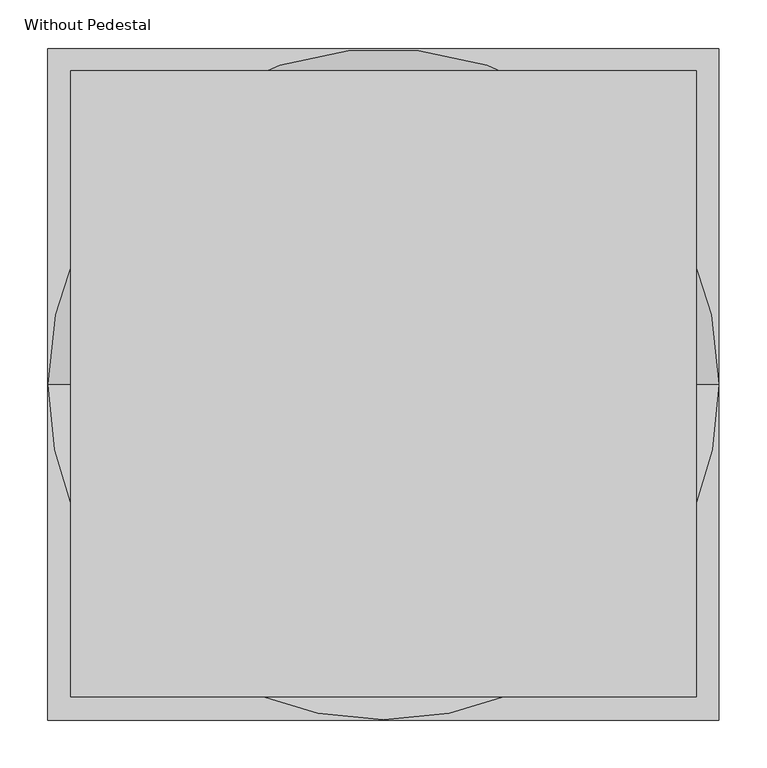
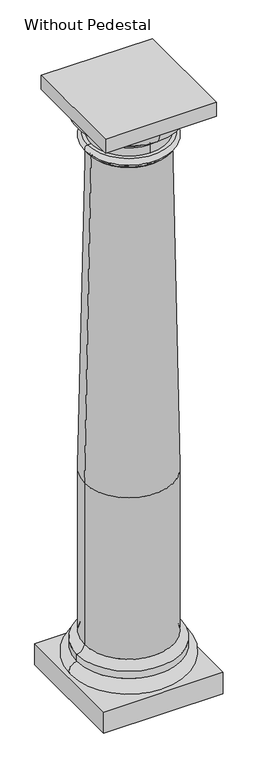
"""IFC4 building model written with IfcOpenShell, lengths in millimetres: column geometry, Without Pedestal."""

from ifc_helpers import new_model, si_unit, point, frame, origin, place, context, project, spatial, polyline, circle_curve, ellipse_curve, trimmed, outline, extrude, source, transform, mapped, element, save
from ifc_brep_helpers import plane_surface, cylinder_surface, revolved_surface, advanced_brep


def without_pedestal_fa424cd3(model_context):
    return source(origin(), model_context, "Body", "SolidModel", [
        advanced_brep(
        [(0.0, -161.9794286, 3383.5702857), (0.0, 161.9794286, 3383.5702857), (0.0, 161.9794286, 3294.7428571), (0.0, -161.9794286, 3294.7428571), (0.0, -240.3565714, 3367.8948571), (0.0, 240.3565714, 3367.8948571), (0.0, 240.3565714, 3383.5702857), (0.0, -240.3565714, 3383.5702857), (0.0, -222.0685714, 3346.9942857), (0.0, 222.0685714, 3346.9942857), (0.0, -222.0685714, 3294.7428571), (0.0, 222.0685714, 3294.7428571)],
        [
            (0, 1, circle_curve(frame((0.0, 0.0, 3383.5702857), z_axis=(0.0, 0.0, 1.0), x_axis=(0.0, 1.0, 0.0)), 161.9794286)),
            (1, 2),
            (2, 3, circle_curve(frame((0.0, 0.0, 3294.7428571), z_axis=(0.0, 0.0, -1.0), x_axis=(0.0, 1.0, 0.0)), 161.9794286)),
            (3, 0),
            (4, 5, circle_curve(frame((0.0, 0.0, 3367.8948571), z_axis=(0.0, 0.0, 1.0), x_axis=(0.0, 1.0, 0.0)), 240.3565714)),
            (5, 6),
            (6, 7, circle_curve(frame((0.0, 0.0, 3383.5702857), z_axis=(0.0, 0.0, -1.0), x_axis=(0.0, 1.0, 0.0)), 240.3565714)),
            (7, 4),
            (8, 9, circle_curve(frame((0.0, 0.0, 3346.9942857), z_axis=(0.0, 0.0, 1.0), x_axis=(0.0, 1.0, 0.0)), 222.0685714)),
            (9, 5, circle_curve(frame((0.0, 244.0662699, 3346.1975853), z_axis=(-1.0, 0.0, 0.0), x_axis=(0.0, 1.0, 0.0)), 22.0121209)),
            (4, 8, circle_curve(frame((0.0, -244.0662699, 3346.1975853), z_axis=(-1.0, 0.0, 0.0), x_axis=(0.0, -1.0, 0.0)), 22.0121209)),
            (10, 11, circle_curve(frame((0.0, 0.0, 3294.7428571), z_axis=(0.0, 0.0, 1.0), x_axis=(0.0, 1.0, 0.0)), 222.0685714)),
            (11, 9),
            (8, 10),
            (1, 0, circle_curve(frame((0.0, 0.0, 3383.5702857), z_axis=(0.0, 0.0, 1.0), x_axis=(0.0, -1.0, 0.0)), 161.9794286)),
            (3, 2, circle_curve(frame((0.0, 0.0, 3294.7428571), z_axis=(0.0, 0.0, -1.0), x_axis=(0.0, -1.0, 0.0)), 161.9794286)),
            (6, 7, circle_curve(frame((0.0, 0.0, 3383.5702857), z_axis=(0.0, 0.0, 1.0), x_axis=(0.0, -1.0, 0.0)), 240.3565714)),
            (5, 4, circle_curve(frame((0.0, 0.0, 3367.8948571), z_axis=(0.0, 0.0, 1.0), x_axis=(0.0, -1.0, 0.0)), 240.3565714)),
            (9, 8, circle_curve(frame((0.0, 0.0, 3346.9942857), z_axis=(0.0, 0.0, 1.0), x_axis=(0.0, -1.0, 0.0)), 222.0685714)),
            (11, 10, circle_curve(frame((0.0, 0.0, 3294.7428571), z_axis=(0.0, 0.0, 1.0), x_axis=(0.0, -1.0, 0.0)), 222.0685714)),
        ],
        [
            revolved_surface(polyline([(0.0, 161.9794286, 3294.7428571), (0.0, 161.9794286, 3383.5702857)]), (0.0, 0.0, 3294.7428571), (0.0, 0.0, -1.0)),
            cylinder_surface(frame((0.0, 0.0, 3294.7428571), z_axis=(0.0, 0.0, -1.0), x_axis=(0.0, 1.0, 0.0)), 240.3565714),
            revolved_surface(trimmed(ellipse_curve(frame((0.0, 244.0662699, 3346.1975853), z_axis=(1.0, 0.0, 0.0), x_axis=(0.0, 1.0, 0.0)), 22.0121209, 22.0121209), [point((0.0, 240.3565714, 3367.8948571))], [point((0.0, 222.0685714, 3346.9942857))], True, "CARTESIAN"), (0.0, 0.0, 3294.7428571), (0.0, 0.0, -1.0)),
            cylinder_surface(frame((0.0, 0.0, 3294.7428571), z_axis=(0.0, 0.0, -1.0), x_axis=(0.0, 1.0, 0.0)), 222.0685714),
            revolved_surface(polyline([(0.0, -161.9794286, 3294.7428571), (0.0, -161.9794286, 3383.5702857)]), (0.0, 0.0, 3294.7428571), (0.0, 0.0, -1.0)),
            plane_surface(frame((0.0, 0.0, 3383.5702857), z_axis=(0.0, 0.0, 1.0), x_axis=(0.0, -1.0, 0.0))),
            cylinder_surface(frame((0.0, 0.0, 3294.7428571), z_axis=(0.0, 0.0, -1.0), x_axis=(0.0, -1.0, 0.0)), 240.3565714),
            revolved_surface(trimmed(ellipse_curve(frame((0.0, -244.0662699, 3346.1975853), z_axis=(-1.0, 0.0, 0.0), x_axis=(0.0, -1.0, 0.0)), 22.0121209, 22.0121209), [point((0.0, -240.3565714, 3367.8948571))], [point((0.0, -222.0685714, 3346.9942857))], True, "CARTESIAN"), (0.0, 0.0, 3294.7428571), (0.0, 0.0, -1.0)),
            cylinder_surface(frame((0.0, 0.0, 3294.7428571), z_axis=(0.0, 0.0, -1.0), x_axis=(0.0, -1.0, 0.0)), 222.0685714),
            plane_surface(frame((0.0, 0.0, 3294.7428571), z_axis=(0.0, 0.0, -1.0), x_axis=(0.0, -1.0, 0.0))),
        ],
        [
            (0, [[1, 2, 3, 4]]),
            (1, [[5, 6, 7, 8]]),
            (2, [[9, 10, -5, 11]]),
            (3, [[12, 13, -9, 14]]),
            (4, [[15, -4, 16, -2]]),
            (5, [[17, -7], [-15, -1]]),
            (6, [[18, -8, -17, -6]]),
            (7, [[19, -11, -18, -10]]),
            (8, [[20, -14, -19, -13]]),
            (9, [[-20, -12], [-16, -3]]),
        ],
    ),
        advanced_brep(
        [(0.0, -240.3565714, 3383.5702857), (0.0, 240.3565714, 3383.5702857), (0.0, 318.7337143, 3469.7851429), (0.0, -318.7337143, 3469.7851429), (0.0, -161.9794286, 3469.7851429), (0.0, 161.9794286, 3469.7851429), (0.0, 161.9794286, 3383.5702857), (0.0, -161.9794286, 3383.5702857)],
        [
            (0, 1, circle_curve(frame((0.0, 0.0, 3383.5702857), z_axis=(0.0, 0.0, 1.0), x_axis=(0.0, 1.0, 0.0)), 240.3565714)),
            (1, 2, circle_curve(frame((0.0, 232.1269714, 3469.7851429), z_axis=(1.0, 0.0, 0.0), x_axis=(0.0, 1.0, 0.0)), 86.6067429)),
            (2, 3, circle_curve(frame((0.0, 0.0, 3469.7851429), z_axis=(0.0, 0.0, -1.0), x_axis=(0.0, 1.0, 0.0)), 318.7337143)),
            (3, 0, circle_curve(frame((0.0, -232.1269714, 3469.7851429), z_axis=(1.0, 0.0, 0.0), x_axis=(0.0, -1.0, 0.0)), 86.6067429)),
            (4, 5, circle_curve(frame((0.0, 0.0, 3469.7851429), z_axis=(0.0, 0.0, 1.0), x_axis=(0.0, 1.0, 0.0)), 161.9794286)),
            (5, 6),
            (6, 7, circle_curve(frame((0.0, 0.0, 3383.5702857), z_axis=(0.0, 0.0, -1.0), x_axis=(0.0, 1.0, 0.0)), 161.9794286)),
            (7, 4),
            (1, 0, circle_curve(frame((0.0, 0.0, 3383.5702857), z_axis=(0.0, 0.0, 1.0), x_axis=(0.0, -1.0, 0.0)), 240.3565714)),
            (3, 2, circle_curve(frame((0.0, 0.0, 3469.7851429), z_axis=(0.0, 0.0, -1.0), x_axis=(0.0, -1.0, 0.0)), 318.7337143)),
            (6, 7, circle_curve(frame((0.0, 0.0, 3383.5702857), z_axis=(0.0, 0.0, 1.0), x_axis=(0.0, -1.0, 0.0)), 161.9794286)),
            (5, 4, circle_curve(frame((0.0, 0.0, 3469.7851429), z_axis=(0.0, 0.0, 1.0), x_axis=(0.0, -1.0, 0.0)), 161.9794286)),
        ],
        [
            revolved_surface(trimmed(ellipse_curve(frame((0.0, 232.1269714, 3469.7851429), z_axis=(-1.0, 0.0, 0.0), x_axis=(0.0, 1.0, 0.0)), 86.6067429, 86.6067429), [point((0.0, 318.7337143, 3469.7851429))], [point((0.0, 240.3565714, 3383.5702857))], True, "CARTESIAN"), (0.0, 0.0, 3383.5702857), (0.0, 0.0, -1.0)),
            revolved_surface(polyline([(0.0, 161.9794286, 3383.5702857), (0.0, 161.9794286, 3469.7851429)]), (0.0, 0.0, 3383.5702857), (0.0, 0.0, -1.0)),
            revolved_surface(trimmed(ellipse_curve(frame((0.0, -232.1269714, 3469.7851429), z_axis=(1.0, 0.0, 0.0), x_axis=(0.0, -1.0, 0.0)), 86.6067429, 86.6067429), [point((0.0, -318.7337143, 3469.7851429))], [point((0.0, -240.3565714, 3383.5702857))], True, "CARTESIAN"), (0.0, 0.0, 3383.5702857), (0.0, 0.0, -1.0)),
            plane_surface(frame((0.0, 0.0, 3383.5702857), z_axis=(0.0, 0.0, -1.0), x_axis=(0.0, -1.0, 0.0))),
            revolved_surface(polyline([(0.0, -161.9794286, 3383.5702857), (0.0, -161.9794286, 3469.7851429)]), (0.0, 0.0, 3383.5702857), (0.0, 0.0, -1.0)),
            plane_surface(frame((0.0, 0.0, 3469.7851429), z_axis=(0.0, 0.0, 1.0), x_axis=(0.0, -1.0, 0.0))),
        ],
        [
            (0, [[1, 2, 3, 4]]),
            (1, [[5, 6, 7, 8]]),
            (2, [[9, -4, 10, -2]]),
            (3, [[-9, -1], [11, -7]]),
            (4, [[12, -8, -11, -6]]),
            (5, [[-10, -3], [-12, -5]]),
        ],
    ),
        extrude(outline(polyline([(326.5714286, 326.5714286), (326.5714286, -326.5714286), (-326.5714286, -326.5714286), (-326.5714286, 326.5714286), (326.5714286, 326.5714286)])), frame((0.0, 0.0, 3469.7851429), z_axis=(0.0, 0.0, 1.0), x_axis=(1.0, 0.0, 0.0)), (0.0, 0.0, 1.0), 86.2148571),
        advanced_brep(
        [(261.2571429, 0.0, 204.0708571), (-261.2571429, 0.0, 204.0708571), (-305.6708571, 0.0, 159.6571429), (305.6708571, 0.0, 159.6571429), (261.2571429, 0.0, 1204.6857143), (-261.2571429, 0.0, 1204.6857143), (222.0685714, 0.0, 3221.5908571), (-222.0685714, 0.0, 3221.5908571), (242.9691429, 0.0, 3242.4914286), (-242.9691429, 0.0, 3242.4914286)],
        [
            (0, 1, circle_curve(frame((0.0, 0.0, 204.0708571), z_axis=(0.0, 0.0, -1.0), x_axis=(-1.0, 0.0, 0.0)), 261.2571429)),
            (1, 2, circle_curve(frame((-305.6708571, 0.0, 204.0708571), z_axis=(0.0, 1.0, 0.0), x_axis=(1.0, 0.0, 0.0)), 44.4137143)),
            (2, 3, circle_curve(frame((0.0, 0.0, 159.6571429), z_axis=(0.0, 0.0, 1.0), x_axis=(-1.0, 0.0, 0.0)), 305.6708571)),
            (3, 0, circle_curve(frame((305.6708571, 0.0, 204.0708571), z_axis=(0.0, 1.0, 0.0), x_axis=(-1.0, 0.0, 0.0)), 44.4137143)),
            (0, 4),
            (4, 5, circle_curve(frame((0.0, 0.0, 1204.6857143), z_axis=(0.0, 0.0, -1.0), x_axis=(-1.0, 0.0, 0.0)), 261.2571429)),
            (5, 1),
            (4, 6, circle_curve(frame((-51660.0294857, 0.0, 1204.6857143), z_axis=(0.0, -1.0, 0.0), x_axis=(-1.0, 0.0, 0.0)), 51921.2866286)),
            (6, 7, circle_curve(frame((0.0, 0.0, 3221.5908571), z_axis=(0.0, 0.0, -1.0), x_axis=(-1.0, 0.0, 0.0)), 222.0685714)),
            (7, 5, circle_curve(frame((51660.0294857, 0.0, 1204.6857143), z_axis=(0.0, -1.0, 0.0), x_axis=(1.0, 0.0, 0.0)), 51921.2866286)),
            (6, 8, circle_curve(frame((242.9691429, 0.0, 3221.5908571), z_axis=(0.0, 1.0, 0.0), x_axis=(-1.0, 0.0, 0.0)), 20.9005714)),
            (8, 9, circle_curve(frame((0.0, 0.0, 3242.4914286), z_axis=(0.0, 0.0, -1.0), x_axis=(-1.0, 0.0, 0.0)), 242.9691429)),
            (9, 7, circle_curve(frame((-242.9691429, 0.0, 3221.5908571), z_axis=(0.0, 1.0, 0.0), x_axis=(1.0, 0.0, 0.0)), 20.9005714)),
            (1, 0, circle_curve(frame((0.0, 0.0, 204.0708571), z_axis=(0.0, 0.0, -1.0), x_axis=(1.0, 0.0, 0.0)), 261.2571429)),
            (3, 2, circle_curve(frame((0.0, 0.0, 159.6571429), z_axis=(0.0, 0.0, 1.0), x_axis=(1.0, 0.0, 0.0)), 305.6708571)),
            (5, 4, circle_curve(frame((0.0, 0.0, 1204.6857143), z_axis=(0.0, 0.0, -1.0), x_axis=(1.0, 0.0, 0.0)), 261.2571429)),
            (7, 6, circle_curve(frame((0.0, 0.0, 3221.5908571), z_axis=(0.0, 0.0, -1.0), x_axis=(1.0, 0.0, 0.0)), 222.0685714)),
            (9, 8, circle_curve(frame((0.0, 0.0, 3242.4914286), z_axis=(0.0, 0.0, -1.0), x_axis=(1.0, 0.0, 0.0)), 242.9691429)),
        ],
        [
            revolved_surface(trimmed(ellipse_curve(frame((-305.6708571, 0.0, 204.0708571), z_axis=(0.0, -1.0, 0.0), x_axis=(1.0, 0.0, 0.0)), 44.4137143, 44.4137143), [point((-305.6708571, 0.0, 159.6571429))], [point((-261.2571429, 0.0, 204.0708571))], True, "CARTESIAN"), (0.0, 0.0, 159.6571429), (0.0, 0.0, 1.0)),
            cylinder_surface(frame((0.0, 0.0, 159.6571429), z_axis=(0.0, 0.0, 1.0), x_axis=(-1.0, 0.0, 0.0)), 261.2571429),
            revolved_surface(trimmed(ellipse_curve(frame((51660.0294857, 0.0, 1204.6857143), z_axis=(0.0, 1.0, 0.0), x_axis=(1.0, 0.0, 0.0)), 51921.2866286, 51921.2866286), [point((-261.2571429, 0.0, 1204.6857143))], [point((-222.0685714, 0.0, 3221.5908571))], True, "CARTESIAN"), (0.0, 0.0, 159.6571429), (0.0, 0.0, 1.0)),
            revolved_surface(trimmed(ellipse_curve(frame((-242.9691429, 0.0, 3221.5908571), z_axis=(0.0, -1.0, 0.0), x_axis=(1.0, 0.0, 0.0)), 20.9005714, 20.9005714), [point((-222.0685714, 0.0, 3221.5908571))], [point((-242.9691429, 0.0, 3242.4914286))], True, "CARTESIAN"), (0.0, 0.0, 159.6571429), (0.0, 0.0, 1.0)),
            revolved_surface(trimmed(ellipse_curve(frame((305.6708571, 0.0, 204.0708571), z_axis=(0.0, 1.0, 0.0), x_axis=(-1.0, 0.0, 0.0)), 44.4137143, 44.4137143), [point((305.6708571, 0.0, 159.6571429))], [point((261.2571429, 0.0, 204.0708571))], True, "CARTESIAN"), (0.0, 0.0, 159.6571429), (0.0, 0.0, 1.0)),
            cylinder_surface(frame((0.0, 0.0, 159.6571429), z_axis=(0.0, 0.0, 1.0), x_axis=(1.0, 0.0, 0.0)), 261.2571429),
            revolved_surface(trimmed(ellipse_curve(frame((-51660.0294857, 0.0, 1204.6857143), z_axis=(0.0, -1.0, 0.0), x_axis=(-1.0, 0.0, 0.0)), 51921.2866286, 51921.2866286), [point((261.2571429, 0.0, 1204.6857143))], [point((222.0685714, 0.0, 3221.5908571))], True, "CARTESIAN"), (0.0, 0.0, 159.6571429), (0.0, 0.0, 1.0)),
            revolved_surface(trimmed(ellipse_curve(frame((242.9691429, 0.0, 3221.5908571), z_axis=(0.0, 1.0, 0.0), x_axis=(-1.0, 0.0, 0.0)), 20.9005714, 20.9005714), [point((222.0685714, 0.0, 3221.5908571))], [point((242.9691429, 0.0, 3242.4914286))], True, "CARTESIAN"), (0.0, 0.0, 159.6571429), (0.0, 0.0, 1.0)),
            plane_surface(frame((130.6285714, 0.0, 3242.4914286), z_axis=(0.0, 0.0, 1.0), x_axis=(0.0, 1.0, 0.0))),
            plane_surface(frame((130.6285714, 0.0, 159.6571429), z_axis=(0.0, 0.0, -1.0), x_axis=(0.0, -1.0, 0.0))),
        ],
        [
            (0, [[1, 2, 3, 4]]),
            (1, [[-1, 5, 6, 7]]),
            (2, [[-6, 8, 9, 10]]),
            (3, [[-9, 11, 12, 13]]),
            (4, [[-2, 14, -4, 15]]),
            (5, [[-7, 16, -5, -14]]),
            (6, [[-10, 17, -8, -16]]),
            (7, [[-13, 18, -11, -17]]),
            (8, [[-12, -18]]),
            (9, [[-3, -15]]),
        ],
    ),
        advanced_brep(
        [(242.9691429, 0.0, 3294.7428571), (-242.9691429, 0.0, 3294.7428571), (0.0, 0.0, 3294.7428571), (242.9691429, 0.0, 3258.1668571), (-242.9691429, 0.0, 3258.1668571), (242.9691429, 0.0, 3242.4914286), (-242.9691429, 0.0, 3242.4914286), (0.0, 0.0, 3242.4914286)],
        [
            (0, 1, circle_curve(frame((0.0, 0.0, 3294.7428571), z_axis=(0.0, 0.0, 1.0), x_axis=(-1.0, 0.0, 0.0)), 242.9691429)),
            (1, 2),
            (2, 0),
            (1, 0, circle_curve(frame((0.0, 0.0, 3294.7428571), z_axis=(0.0, 0.0, 1.0), x_axis=(-1.0, 0.0, 0.0)), 242.9691429)),
            (3, 4, circle_curve(frame((0.0, 0.0, 3258.1668571), z_axis=(0.0, 0.0, 1.0), x_axis=(-1.0, 0.0, 0.0)), 242.9691429)),
            (4, 1, circle_curve(frame((-242.9691429, 0.0, 3276.4548571), z_axis=(0.0, 1.0, 0.0), x_axis=(1.0, 0.0, 0.0)), 18.288)),
            (0, 3, circle_curve(frame((242.9691429, 0.0, 3276.4548571), z_axis=(0.0, 1.0, 0.0), x_axis=(-1.0, 0.0, 0.0)), 18.288)),
            (4, 3, circle_curve(frame((0.0, 0.0, 3258.1668571), z_axis=(0.0, 0.0, 1.0), x_axis=(-1.0, 0.0, 0.0)), 242.9691429)),
            (5, 6, circle_curve(frame((0.0, 0.0, 3242.4914286), z_axis=(0.0, 0.0, 1.0), x_axis=(-1.0, 0.0, 0.0)), 242.9691429)),
            (6, 4),
            (3, 5),
            (6, 5, circle_curve(frame((0.0, 0.0, 3242.4914286), z_axis=(0.0, 0.0, 1.0), x_axis=(-1.0, 0.0, 0.0)), 242.9691429)),
            (7, 6),
            (5, 7),
        ],
        [
            plane_surface(frame((0.0, 0.0, 3294.7428571), z_axis=(0.0, 0.0, 1.0), x_axis=(-1.0, 0.0, 0.0))),
            revolved_surface(trimmed(ellipse_curve(frame((-242.9691429, 0.0, 3276.4548571), z_axis=(0.0, -1.0, 0.0), x_axis=(1.0, 0.0, 0.0)), 18.288, 18.288), [point((-242.9691429, 0.0, 3294.7428571))], [point((-242.9691429, 0.0, 3258.1668571))], True, "CARTESIAN"), (0.0, 0.0, 3307.4428571), (0.0, 0.0, -1.0)),
            cylinder_surface(frame((0.0, 0.0, 3307.4428571), z_axis=(0.0, 0.0, -1.0), x_axis=(-1.0, 0.0, 0.0)), 242.9691429),
            plane_surface(frame((0.0, 0.0, 3242.4914286), z_axis=(0.0, 0.0, -1.0), x_axis=(-1.0, 0.0, 0.0))),
        ],
        [
            (0, [[1, 2, 3]]),
            (0, [[4, -3, -2]]),
            (1, [[5, 6, -1, 7]]),
            (1, [[8, -7, -4, -6]]),
            (2, [[9, 10, -5, 11]]),
            (2, [[12, -11, -8, -10]]),
            (3, [[13, -9, 14]]),
            (3, [[-14, -12, -13]]),
        ],
    ),
        advanced_brep(
        [(305.6708571, 0.0, 29.0285714), (-305.6708571, 0.0, 29.0285714), (-305.6708571, 0.0, 115.2434286), (305.6708571, 0.0, 115.2434286), (0.0, 0.0, 29.0285714), (305.6708571, 0.0, 159.6571429), (-305.6708571, 0.0, 159.6571429), (0.0, 0.0, 159.6571429)],
        [
            (0, 1, circle_curve(frame((0.0, 0.0, 29.0285714), z_axis=(0.0, 0.0, 1.0), x_axis=(-1.0, 0.0, 0.0)), 305.6708571)),
            (1, 2, ellipse_curve(frame((-305.6708571, 0.0, 72.136), z_axis=(0.0, 1.0, 0.0), x_axis=(1.0, 0.0, 0.0)), 44.4137143, 43.1074286)),
            (2, 3, circle_curve(frame((0.0, 0.0, 115.2434286), z_axis=(0.0, 0.0, -1.0), x_axis=(-1.0, 0.0, 0.0)), 305.6708571)),
            (3, 0, ellipse_curve(frame((305.6708571, 0.0, 72.136), z_axis=(0.0, 1.0, 0.0), x_axis=(-1.0, 0.0, 0.0)), 44.4137143, 43.1074286)),
            (1, 0, circle_curve(frame((0.0, 0.0, 29.0285714), z_axis=(0.0, 0.0, 1.0), x_axis=(-1.0, 0.0, 0.0)), 305.6708571)),
            (3, 2, circle_curve(frame((0.0, 0.0, 115.2434286), z_axis=(0.0, 0.0, -1.0), x_axis=(-1.0, 0.0, 0.0)), 305.6708571)),
            (4, 1),
            (0, 4),
            (5, 6, circle_curve(frame((0.0, 0.0, 159.6571429), z_axis=(0.0, 0.0, 1.0), x_axis=(-1.0, 0.0, 0.0)), 305.6708571)),
            (6, 7),
            (7, 5),
            (6, 5, circle_curve(frame((0.0, 0.0, 159.6571429), z_axis=(0.0, 0.0, 1.0), x_axis=(-1.0, 0.0, 0.0)), 305.6708571)),
            (2, 6),
            (5, 3),
        ],
        [
            revolved_surface(trimmed(ellipse_curve(frame((-305.6708571, 0.0, 72.136), z_axis=(0.0, -1.0, 0.0), x_axis=(0.0, 0.0, -1.0)), 43.1074286, 44.4137143), [point((-305.6708571, 0.0, 115.2434286))], [point((-305.6708571, 0.0, 29.0285714))], True, "CARTESIAN"), (0.0, 0.0, 172.3571429), (0.0, 0.0, -1.0)),
            plane_surface(frame((0.0, 0.0, 29.0285714), z_axis=(0.0, 0.0, -1.0), x_axis=(-1.0, 0.0, 0.0))),
            plane_surface(frame((0.0, 0.0, 159.6571429), z_axis=(0.0, 0.0, 1.0), x_axis=(-1.0, 0.0, 0.0))),
            cylinder_surface(frame((0.0, 0.0, 172.3571429), z_axis=(0.0, 0.0, -1.0), x_axis=(-1.0, 0.0, 0.0)), 305.6708571),
        ],
        [
            (0, [[1, 2, 3, 4]]),
            (0, [[5, -4, 6, -2]]),
            (1, [[7, -1, 8]]),
            (1, [[-8, -5, -7]]),
            (2, [[9, 10, 11]]),
            (2, [[12, -11, -10]]),
            (3, [[-3, 13, -9, 14]]),
            (3, [[-6, -14, -12, -13]]),
        ],
    ),
        extrude(outline(polyline([(350.0845714, 350.0845714), (350.0845714, -350.0845714), (-350.0845714, -350.0845714), (-350.0845714, 350.0845714), (350.0845714, 350.0845714)])), frame((0.0, 0.0, -101.6), z_axis=(0.0, 0.0, 1.0), x_axis=(1.0, 0.0, 0.0)), (0.0, 0.0, 1.0), 130.6285714),
    ])


if __name__ == "__main__":
    model = new_model("IFC4")
    model_context = context("Model", 3, world=origin())
    ifc_project = project(units=[si_unit("LENGTHUNIT", "METRE", prefix="MILLI")], contexts=[model_context])
    site = spatial("IfcSite", under=ifc_project)
    building = spatial("IfcBuilding", under=site)
    placement = place(None, origin())
    without_pedestal_shape = without_pedestal_fa424cd3(model_context)
    element("IfcColumn", 1, ObjectType="Without Pedestal", at=placement, inside=building, context=model_context, shape_type="MappedRepresentation", body=[
        mapped(without_pedestal_shape, transform((0.0, 0.0, 0.0), x_axis=(1.0, 0.0, 0.0), y_axis=(0.0, 1.0, 0.0), z_axis=(0.0, 0.0, 1.0))),
    ])
    save(model, "model.ifc")
